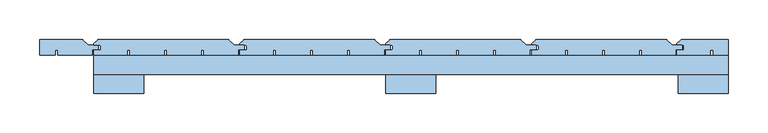
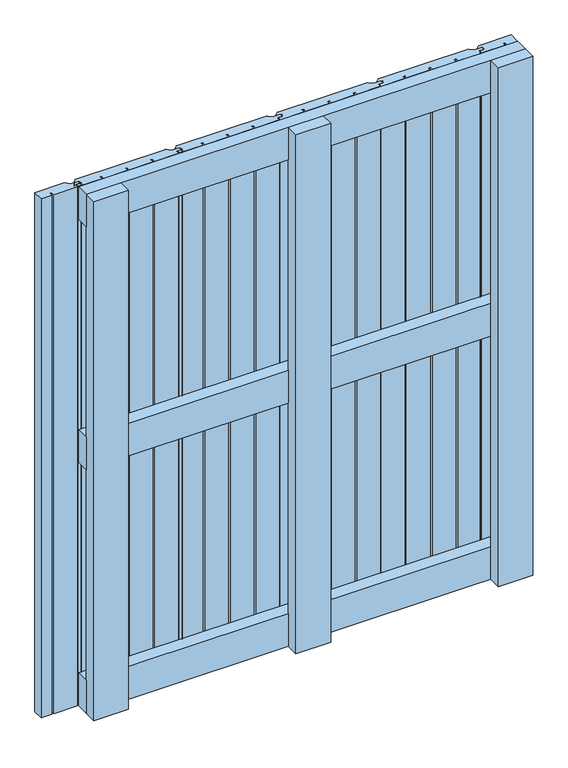
"""IFC4 building model written with IfcOpenShell, lengths in millimetres: window geometry."""

from ifc_helpers import new_model, si_unit, point, frame, frame_2d, origin, place, context, project, spatial, polyline, circle_curve, trimmed, segment, composite_curve, outline, extrude, source, transform, mapped, element, save


def window_0e83da6e(model_context):
    return source(origin(), model_context, "Body", "SweptSolid", [
        extrude(outline(polyline([(400.0, 60.1), (400.0, 36.1), (-400.0, 36.1), (-400.0, 60.1), (400.0, 60.1)])), frame((0.0, 0.0, 568.5), z_axis=(0.0, 0.0, 1.0), x_axis=(1.0, 0.0, 0.0)), (0.0, 0.0, 1.0), 63.0),
        extrude(outline(polyline([(400.0, 60.0), (400.0, 36.0), (-400.0, 36.0), (-400.0, 60.0), (400.0, 60.0)])), frame((0.0, 0.0, 1037.0), z_axis=(0.0, 0.0, 1.0), x_axis=(1.0, 0.0, 0.0)), (0.0, 0.0, 1.0), 63.0),
        extrude(outline(polyline([(400.0, 60.0), (400.0, 36.0), (-400.0, 36.0), (-400.0, 60.0), (400.0, 60.0)])), frame((0.0, 0.0, 100.0), z_axis=(0.0, 0.0, 1.0), x_axis=(1.0, 0.0, 0.0)), (0.0, 0.0, 1.0), 63.0),
        extrude(outline(composite_curve([segment(polyline([(-399.0521218, 66.5), (-392.5521218, 66.5)]), True, "CONTINUOUS"), segment(trimmed(circle_curve(frame_2d((-392.5521218, 68.0)), 1.5), [point((-392.5521218, 66.5))], [point((-391.0521218, 68.0))], True, "CARTESIAN"), True, "CONTINUOUS"), segment(polyline([(-391.0521218, 68.0), (-391.0521218, 71.5)]), True, "CONTINUOUS"), segment(trimmed(circle_curve(frame_2d((-392.5521218, 71.5)), 1.5), [point((-391.0521218, 71.5))], [point((-392.5521218, 73.0))], True, "CARTESIAN"), True, "CONTINUOUS"), segment(polyline([(-392.5521218, 73.0), (-399.0521218, 73.0)]), True, "CONTINUOUS"), segment(trimmed(circle_curve(frame_2d((-399.0521218, 74.0)), 1.0), [point((-399.0521218, 73.0))], [point((-399.7592286, 74.7071068))], False, "CARTESIAN"), True, "CONTINUOUS"), segment(polyline([(-399.7592286, 74.7071068), (-394.9056752, 79.5606602)]), True, "CONTINUOUS"), segment(trimmed(circle_curve(frame_2d((-393.845015, 78.5)), 1.5), [point((-394.9056752, 79.5606602))], [point((-393.845015, 80.0))], False, "CARTESIAN"), True, "CONTINUOUS"), segment(polyline([(-393.845015, 80.0), (-230.6213203, 80.0)]), True, "CONTINUOUS"), segment(trimmed(circle_curve(frame_2d((-230.6213203, 78.5)), 1.5), [point((-230.6213203, 80.0))], [point((-229.5606602, 79.5606602))], False, "CARTESIAN"), True, "CONTINUOUS"), segment(polyline([(-229.5606602, 79.5606602), (-223.2928932, 73.2928932)]), True, "CONTINUOUS"), segment(trimmed(circle_curve(frame_2d((-222.5857864, 74.0)), 1.0), [point((-223.2928932, 73.2928932))], [point((-222.5857864, 73.0))], True, "CARTESIAN"), True, "CONTINUOUS"), segment(polyline([(-222.5857864, 73.0), (-211.5, 73.0)]), True, "CONTINUOUS"), segment(trimmed(circle_curve(frame_2d((-211.5, 71.5)), 1.5), [point((-211.5, 73.0))], [point((-210.0, 71.5))], False, "CARTESIAN"), True, "CONTINUOUS"), segment(polyline([(-210.0, 71.5), (-210.0, 68.5)]), True, "CONTINUOUS"), segment(trimmed(circle_curve(frame_2d((-211.5, 68.5)), 1.5), [point((-210.0, 68.5))], [point((-211.5, 67.0))], False, "CARTESIAN"), True, "CONTINUOUS"), segment(polyline([(-211.5, 67.0), (-218.0, 67.0), (-218.0, 60.5), (-261.0610702, 60.5), (-261.0610702, 66.5), (-264.5610702, 66.5), (-264.5610702, 60.5), (-307.6221403, 60.5), (-307.6221403, 66.5), (-311.1221403, 66.5), (-311.1221403, 60.5), (-354.1832105, 60.5), (-354.1832105, 66.5), (-357.6832105, 66.5), (-357.6832105, 60.5), (-400.0521218, 60.5), (-400.0521218, 65.5)]), True, "CONTINUOUS"), segment(trimmed(circle_curve(frame_2d((-399.0521218, 65.5)), 1.0), [point((-400.0521218, 65.5))], [point((-399.0521218, 66.5))], False, "CARTESIAN"), True, "CONTINUOUS")], self_intersect=False)), frame((0.0, 0.0, 100.0), z_axis=(0.0, 0.0, 1.0), x_axis=(1.0, 0.0, 0.0)), (0.0, 0.0, 1.0), 1000.0),
        extrude(outline(composite_curve([segment(polyline([(-215.0521218, 66.5), (-208.5521218, 66.5)]), True, "CONTINUOUS"), segment(trimmed(circle_curve(frame_2d((-208.5521218, 68.0)), 1.5), [point((-208.5521218, 66.5))], [point((-207.0521218, 68.0))], True, "CARTESIAN"), True, "CONTINUOUS"), segment(polyline([(-207.0521218, 68.0), (-207.0521218, 71.5)]), True, "CONTINUOUS"), segment(trimmed(circle_curve(frame_2d((-208.5521218, 71.5)), 1.5), [point((-207.0521218, 71.5))], [point((-208.5521218, 73.0))], True, "CARTESIAN"), True, "CONTINUOUS"), segment(polyline([(-208.5521218, 73.0), (-215.0521218, 73.0)]), True, "CONTINUOUS"), segment(trimmed(circle_curve(frame_2d((-215.0521218, 74.0)), 1.0), [point((-215.0521218, 73.0))], [point((-215.7592286, 74.7071068))], False, "CARTESIAN"), True, "CONTINUOUS"), segment(polyline([(-215.7592286, 74.7071068), (-210.9056752, 79.5606602)]), True, "CONTINUOUS"), segment(trimmed(circle_curve(frame_2d((-209.845015, 78.5)), 1.5), [point((-210.9056752, 79.5606602))], [point((-209.845015, 80.0))], False, "CARTESIAN"), True, "CONTINUOUS"), segment(polyline([(-209.845015, 80.0), (-46.6213203, 80.0)]), True, "CONTINUOUS"), segment(trimmed(circle_curve(frame_2d((-46.6213203, 78.5)), 1.5), [point((-46.6213203, 80.0))], [point((-45.5606602, 79.5606602))], False, "CARTESIAN"), True, "CONTINUOUS"), segment(polyline([(-45.5606602, 79.5606602), (-39.2928932, 73.2928932)]), True, "CONTINUOUS"), segment(trimmed(circle_curve(frame_2d((-38.5857864, 74.0)), 1.0), [point((-39.2928932, 73.2928932))], [point((-38.5857864, 73.0))], True, "CARTESIAN"), True, "CONTINUOUS"), segment(polyline([(-38.5857864, 73.0), (-27.5, 73.0)]), True, "CONTINUOUS"), segment(trimmed(circle_curve(frame_2d((-27.5, 71.5)), 1.5), [point((-27.5, 73.0))], [point((-26.0, 71.5))], False, "CARTESIAN"), True, "CONTINUOUS"), segment(polyline([(-26.0, 71.5), (-26.0, 68.5)]), True, "CONTINUOUS"), segment(trimmed(circle_curve(frame_2d((-27.5, 68.5)), 1.5), [point((-26.0, 68.5))], [point((-27.5, 67.0))], False, "CARTESIAN"), True, "CONTINUOUS"), segment(polyline([(-27.5, 67.0), (-34.0, 67.0), (-34.0, 60.5), (-77.0610702, 60.5), (-77.0610702, 66.5), (-80.5610702, 66.5), (-80.5610702, 60.5), (-123.6221403, 60.5), (-123.6221403, 66.5), (-127.1221403, 66.5), (-127.1221403, 60.5), (-170.1832105, 60.5), (-170.1832105, 66.5), (-173.6832105, 66.5), (-173.6832105, 60.5), (-216.0521218, 60.5), (-216.0521218, 65.5)]), True, "CONTINUOUS"), segment(trimmed(circle_curve(frame_2d((-215.0521218, 65.5)), 1.0), [point((-216.0521218, 65.5))], [point((-215.0521218, 66.5))], False, "CARTESIAN"), True, "CONTINUOUS")], self_intersect=False)), frame((0.0, 0.0, 100.0), z_axis=(0.0, 0.0, 1.0), x_axis=(1.0, 0.0, 0.0)), (0.0, 0.0, 1.0), 1000.0),
        extrude(outline(composite_curve([segment(polyline([(-31.0521218, 66.5), (-24.5521218, 66.5)]), True, "CONTINUOUS"), segment(trimmed(circle_curve(frame_2d((-24.5521218, 68.0)), 1.5), [point((-24.5521218, 66.5))], [point((-23.0521218, 68.0))], True, "CARTESIAN"), True, "CONTINUOUS"), segment(polyline([(-23.0521218, 68.0), (-23.0521218, 71.5)]), True, "CONTINUOUS"), segment(trimmed(circle_curve(frame_2d((-24.5521218, 71.5)), 1.5), [point((-23.0521218, 71.5))], [point((-24.5521218, 73.0))], True, "CARTESIAN"), True, "CONTINUOUS"), segment(polyline([(-24.5521218, 73.0), (-31.0521218, 73.0)]), True, "CONTINUOUS"), segment(trimmed(circle_curve(frame_2d((-31.0521218, 74.0)), 1.0), [point((-31.0521218, 73.0))], [point((-31.7592286, 74.7071068))], False, "CARTESIAN"), True, "CONTINUOUS"), segment(polyline([(-31.7592286, 74.7071068), (-26.9056752, 79.5606602)]), True, "CONTINUOUS"), segment(trimmed(circle_curve(frame_2d((-25.845015, 78.5)), 1.5), [point((-26.9056752, 79.5606602))], [point((-25.845015, 80.0))], False, "CARTESIAN"), True, "CONTINUOUS"), segment(polyline([(-25.845015, 80.0), (137.3786797, 80.0)]), True, "CONTINUOUS"), segment(trimmed(circle_curve(frame_2d((137.3786797, 78.5)), 1.5), [point((137.3786797, 80.0))], [point((138.4393398, 79.5606602))], False, "CARTESIAN"), True, "CONTINUOUS"), segment(polyline([(138.4393398, 79.5606602), (144.7071068, 73.2928932)]), True, "CONTINUOUS"), segment(trimmed(circle_curve(frame_2d((145.4142136, 74.0)), 1.0), [point((144.7071068, 73.2928932))], [point((145.4142136, 73.0))], True, "CARTESIAN"), True, "CONTINUOUS"), segment(polyline([(145.4142136, 73.0), (156.5, 73.0)]), True, "CONTINUOUS"), segment(trimmed(circle_curve(frame_2d((156.5, 71.5)), 1.5), [point((156.5, 73.0))], [point((158.0, 71.5))], False, "CARTESIAN"), True, "CONTINUOUS"), segment(polyline([(158.0, 71.5), (158.0, 68.5)]), True, "CONTINUOUS"), segment(trimmed(circle_curve(frame_2d((156.5, 68.5)), 1.5), [point((158.0, 68.5))], [point((156.5, 67.0))], False, "CARTESIAN"), True, "CONTINUOUS"), segment(polyline([(156.5, 67.0), (150.0, 67.0), (150.0, 60.5), (106.9389298, 60.5), (106.9389298, 66.5), (103.4389298, 66.5), (103.4389298, 60.5), (60.3778597, 60.5), (60.3778597, 66.5), (56.8778597, 66.5), (56.8778597, 60.5), (13.8167895, 60.5), (13.8167895, 66.5), (10.3167895, 66.5), (10.3167895, 60.5), (-32.0521218, 60.5), (-32.0521218, 65.5)]), True, "CONTINUOUS"), segment(trimmed(circle_curve(frame_2d((-31.0521218, 65.5)), 1.0), [point((-32.0521218, 65.5))], [point((-31.0521218, 66.5))], False, "CARTESIAN"), True, "CONTINUOUS")], self_intersect=False)), frame((0.0, 0.0, 100.0), z_axis=(0.0, 0.0, 1.0), x_axis=(1.0, 0.0, 0.0)), (0.0, 0.0, 1.0), 1000.0),
        extrude(outline(composite_curve([segment(polyline([(152.9478782, 66.5), (159.4478782, 66.5)]), True, "CONTINUOUS"), segment(trimmed(circle_curve(frame_2d((159.4478782, 68.0)), 1.5), [point((159.4478782, 66.5))], [point((160.9478782, 68.0))], True, "CARTESIAN"), True, "CONTINUOUS"), segment(polyline([(160.9478782, 68.0), (160.9478782, 71.5)]), True, "CONTINUOUS"), segment(trimmed(circle_curve(frame_2d((159.4478782, 71.5)), 1.5), [point((160.9478782, 71.5))], [point((159.4478782, 73.0))], True, "CARTESIAN"), True, "CONTINUOUS"), segment(polyline([(159.4478782, 73.0), (152.9478782, 73.0)]), True, "CONTINUOUS"), segment(trimmed(circle_curve(frame_2d((152.9478782, 74.0)), 1.0), [point((152.9478782, 73.0))], [point((152.2407714, 74.7071068))], False, "CARTESIAN"), True, "CONTINUOUS"), segment(polyline([(152.2407714, 74.7071068), (157.0943248, 79.5606602)]), True, "CONTINUOUS"), segment(trimmed(circle_curve(frame_2d((158.154985, 78.5)), 1.5), [point((157.0943248, 79.5606602))], [point((158.154985, 80.0))], False, "CARTESIAN"), True, "CONTINUOUS"), segment(polyline([(158.154985, 80.0), (321.3786797, 80.0)]), True, "CONTINUOUS"), segment(trimmed(circle_curve(frame_2d((321.3786797, 78.5)), 1.5), [point((321.3786797, 80.0))], [point((322.4393398, 79.5606602))], False, "CARTESIAN"), True, "CONTINUOUS"), segment(polyline([(322.4393398, 79.5606602), (328.7071068, 73.2928932)]), True, "CONTINUOUS"), segment(trimmed(circle_curve(frame_2d((329.4142136, 74.0)), 1.0), [point((328.7071068, 73.2928932))], [point((329.4142136, 73.0))], True, "CARTESIAN"), True, "CONTINUOUS"), segment(polyline([(329.4142136, 73.0), (340.5, 73.0)]), True, "CONTINUOUS"), segment(trimmed(circle_curve(frame_2d((340.5, 71.5)), 1.5), [point((340.5, 73.0))], [point((342.0, 71.5))], False, "CARTESIAN"), True, "CONTINUOUS"), segment(polyline([(342.0, 71.5), (342.0, 68.5)]), True, "CONTINUOUS"), segment(trimmed(circle_curve(frame_2d((340.5, 68.5)), 1.5), [point((342.0, 68.5))], [point((340.5, 67.0))], False, "CARTESIAN"), True, "CONTINUOUS"), segment(polyline([(340.5, 67.0), (334.0, 67.0), (334.0, 60.5), (290.9389298, 60.5), (290.9389298, 66.5), (287.4389298, 66.5), (287.4389298, 60.5), (244.3778597, 60.5), (244.3778597, 66.5), (240.8778597, 66.5), (240.8778597, 60.5), (197.8167895, 60.5), (197.8167895, 66.5), (194.3167895, 66.5), (194.3167895, 60.5), (151.9478782, 60.5), (151.9478782, 65.5)]), True, "CONTINUOUS"), segment(trimmed(circle_curve(frame_2d((152.9478782, 65.5)), 1.0), [point((151.9478782, 65.5))], [point((152.9478782, 66.5))], False, "CARTESIAN"), True, "CONTINUOUS")], self_intersect=False)), frame((0.0, 0.0, 100.0), z_axis=(0.0, 0.0, 1.0), x_axis=(1.0, 0.0, 0.0)), (0.0, 0.0, 1.0), 1000.0),
        extrude(outline(composite_curve([segment(polyline([(-413.5606602, 79.5606602), (-407.2928932, 73.2928932)]), True, "CONTINUOUS"), segment(trimmed(circle_curve(frame_2d((-406.5857864, 74.0)), 1.0), [point((-407.2928932, 73.2928932))], [point((-406.5857864, 73.0))], True, "CARTESIAN"), True, "CONTINUOUS"), segment(polyline([(-406.5857864, 73.0), (-395.5, 73.0)]), True, "CONTINUOUS"), segment(trimmed(circle_curve(frame_2d((-395.5, 71.5)), 1.5), [point((-395.5, 73.0))], [point((-394.0, 71.5))], False, "CARTESIAN"), True, "CONTINUOUS"), segment(polyline([(-394.0, 71.5), (-394.0, 68.5)]), True, "CONTINUOUS"), segment(trimmed(circle_curve(frame_2d((-395.5, 68.5)), 1.5), [point((-394.0, 68.5))], [point((-395.5, 67.0))], False, "CARTESIAN"), True, "CONTINUOUS"), segment(polyline([(-395.5, 67.0), (-402.0, 67.0), (-402.0, 60.5), (-445.0610702, 60.5), (-445.0610702, 66.5), (-448.5610702, 66.5), (-448.5610702, 60.5), (-468.0, 60.5), (-468.0, 80.0), (-414.6213203, 80.0)]), True, "CONTINUOUS"), segment(trimmed(circle_curve(frame_2d((-414.6213203, 78.5)), 1.5), [point((-414.6213203, 80.0))], [point((-413.5606602, 79.5606602))], False, "CARTESIAN"), True, "CONTINUOUS")], self_intersect=False)), frame((0.0, 0.0, 100.0), z_axis=(0.0, 0.0, 1.0), x_axis=(1.0, 0.0, 0.0)), (0.0, 0.0, 1.0), 1000.0),
        extrude(outline(composite_curve([segment(polyline([(336.0, 66.5), (342.5, 66.5)]), True, "CONTINUOUS"), segment(trimmed(circle_curve(frame_2d((342.5, 68.0)), 1.5), [point((342.5, 66.5))], [point((344.0, 68.0))], True, "CARTESIAN"), True, "CONTINUOUS"), segment(polyline([(344.0, 68.0), (344.0, 71.5)]), True, "CONTINUOUS"), segment(trimmed(circle_curve(frame_2d((342.5, 71.5)), 1.5), [point((344.0, 71.5))], [point((342.5, 73.0))], True, "CARTESIAN"), True, "CONTINUOUS"), segment(polyline([(342.5, 73.0), (336.0, 73.0)]), True, "CONTINUOUS"), segment(trimmed(circle_curve(frame_2d((336.0, 74.0)), 1.0), [point((336.0, 73.0))], [point((335.2928932, 74.7071068))], False, "CARTESIAN"), True, "CONTINUOUS"), segment(polyline([(335.2928932, 74.7071068), (340.1464466, 79.5606602)]), True, "CONTINUOUS"), segment(trimmed(circle_curve(frame_2d((341.2071068, 78.5)), 1.5), [point((340.1464466, 79.5606602))], [point((341.2071068, 80.0))], False, "CARTESIAN"), True, "CONTINUOUS"), segment(polyline([(341.2071068, 80.0), (400.0, 80.0), (400.0, 60.5), (380.8689113, 60.5), (380.8689113, 66.5), (377.3689113, 66.5), (377.3689113, 60.5), (335.0, 60.5), (335.0, 65.5)]), True, "CONTINUOUS"), segment(trimmed(circle_curve(frame_2d((336.0, 65.5)), 1.0), [point((335.0, 65.5))], [point((336.0, 66.5))], False, "CARTESIAN"), True, "CONTINUOUS")], self_intersect=False)), frame((0.0, 0.0, 100.0), z_axis=(0.0, 0.0, 1.0), x_axis=(1.0, 0.0, 0.0)), (0.0, 0.0, 1.0), 1000.0),
        extrude(outline(polyline([(-31.5, 36.1), (31.5, 36.1), (31.5, 12.1), (-31.5, 12.1), (-31.5, 36.1)])), frame((0.0, 0.0, 100.0), z_axis=(0.0, 0.0, 1.0), x_axis=(1.0, 0.0, 0.0)), (0.0, 0.0, 1.0), 1000.0),
        extrude(outline(polyline([(-400.0, 36.0), (-337.0, 36.0), (-337.0, 12.0), (-400.0, 12.0), (-400.0, 36.0)])), frame((0.0, 0.0, 100.0), z_axis=(0.0, 0.0, 1.0), x_axis=(1.0, 0.0, 0.0)), (0.0, 0.0, 1.0), 1000.0),
        extrude(outline(polyline([(337.0, 36.0), (400.0, 36.0), (400.0, 12.0), (337.0, 12.0), (337.0, 36.0)])), frame((0.0, 0.0, 100.0), z_axis=(0.0, 0.0, 1.0), x_axis=(1.0, 0.0, 0.0)), (0.0, 0.0, 1.0), 1000.0),
    ])


if __name__ == "__main__":
    model = new_model("IFC4")
    model_context = context("Model", 3, world=origin())
    ifc_project = project(units=[si_unit("LENGTHUNIT", "METRE", prefix="MILLI")], contexts=[model_context])
    site = spatial("IfcSite", under=ifc_project)
    building = spatial("IfcBuilding", under=site)
    placement = place(None, origin())
    window_shape = window_0e83da6e(model_context)
    element("IfcWindow", 1, at=placement, inside=building, context=model_context, shape_type="MappedRepresentation", body=[
        mapped(window_shape, transform((0.0, 0.0, 0.0), x_axis=(1.0, 0.0, 0.0), y_axis=(0.0, 1.0, 0.0), z_axis=(0.0, 0.0, 1.0))),
    ])
    save(model, "model.ifc")
